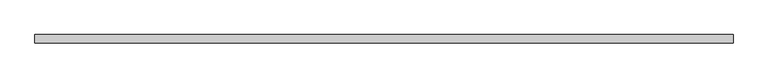
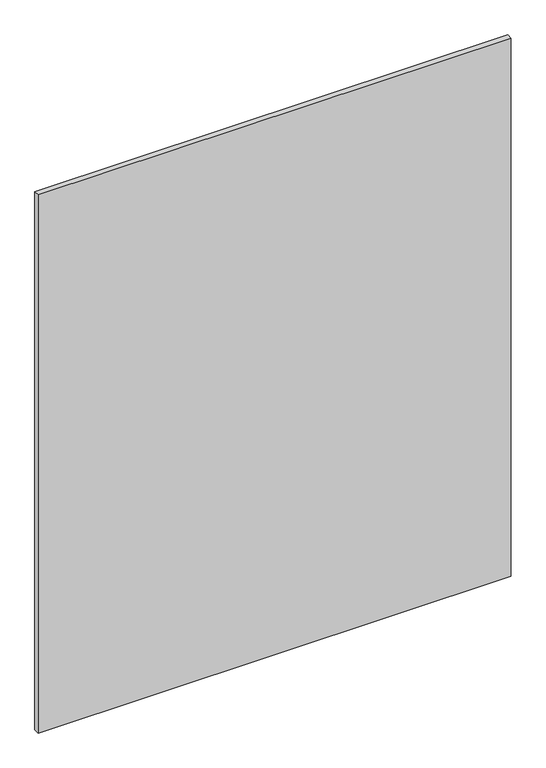
"""IFC4 building model written with IfcOpenShell, lengths in millimetres: plate geometry."""

from ifc_helpers import new_model, si_unit, origin, origin_with_axes, place, context, project, spatial, polyline, outline, extrude, source, transform, mapped, element, save


def plate_ecfc6dab(model_context):
    return source(origin(), model_context, "Body", "SweptSolid", [
        extrude(outline(polyline([(732.5904405, -8.73125), (-732.5904405, -8.73125), (-732.5904405, 8.73125), (732.5904405, 8.73125), (732.5904405, -8.73125)])), origin_with_axes(), (0.0, 0.0, 1.0), 1761.3),
    ])


if __name__ == "__main__":
    model = new_model("IFC4")
    model_context = context("Model", 3, world=origin())
    ifc_project = project(units=[si_unit("LENGTHUNIT", "METRE", prefix="MILLI")], contexts=[model_context])
    site = spatial("IfcSite", under=ifc_project)
    building = spatial("IfcBuilding", under=site)
    placement = place(None, origin())
    plate_shape = plate_ecfc6dab(model_context)
    element("IfcPlate", 1, at=placement, inside=building, context=model_context, shape_type="MappedRepresentation", body=[
        mapped(plate_shape, transform((0.0, 0.0, 0.0), x_axis=(1.0, 0.0, 0.0), y_axis=(0.0, 1.0, 0.0), z_axis=(0.0, 0.0, 1.0))),
    ])
    save(model, "model.ifc")
